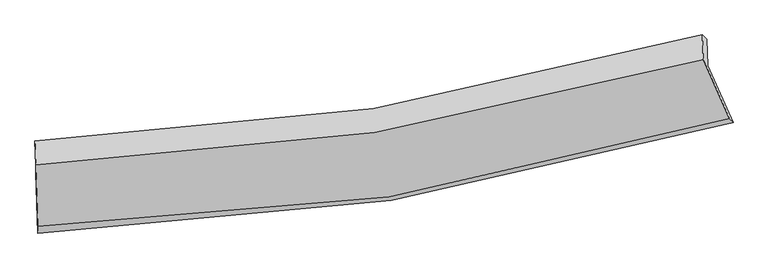
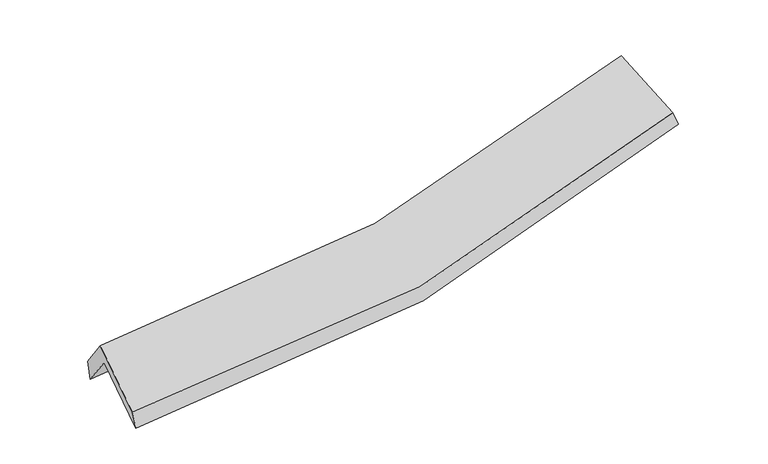
"""IFC4 building model written with IfcOpenShell, lengths in millimetres: proxy geometry."""

from ifc_helpers import new_model, si_unit, frame, origin, place, context, project, spatial, source, transform, mapped, element, save
from ifc_brep_helpers import plane_surface, spline_curve, spline_surface, advanced_brep


def generic_models_e5226e27(model_context):
    return source(origin(), model_context, "Body", "AdvancedBrep", [
        advanced_brep(
        [(-3025.3276454, -2533.1827585, 1514.7251535), (-3041.3315932, -1993.4885416, 1910.7898226), (2939.4980904, -1040.1810409, 2455.3989403), (3163.9566493, -1547.7763577, 2077.1671434), (-3050.1087957, -1758.0797889, 1589.6573857), (2930.7455773, -805.4344701, 2135.1698178), (-3051.0406331, -1710.3455532, 1757.6588448), (2890.513043, -765.1929794, 2282.0388449), (-3042.9868264, -1926.3524857, 2052.3243226), (2898.7523189, -986.1742841, 2583.4901038), (-3026.7736767, -2473.101529, 1651.0823375), (3130.1825028, -1509.5353806, 2193.5105247)],
        [
            (0, 1),
            (1, 2, spline_curve(3, [(-3041.3315932, -1993.4885416, 1910.7898226), (-2013.621453263, -1958.199193719, 1897.275683964), (-1000.663886499, -1860.907643782, 1936.043952126), (992.860848228, -1542.780567322, 2117.882126321), (1973.513176172, -1322.302950758, 2260.650230664), (2939.4980904, -1040.1810409, 2455.3989403)], [4, 2, 4], [0.0, 10.20559753693969, 20.381696402140904])),
            (2, 3),
            (3, 0, spline_curve(3, [(3163.9566493, -1547.7763577, 2077.1671434), (2165.31429772, -1844.492668446, 1872.612483033), (1150.988648055, -2074.945218061, 1723.452533286), (-912.01505927, -2403.798748567, 1535.650246029), (-1960.784174162, -2501.814999241, 1497.32953254), (-3025.3276454, -2533.1827585, 1514.7251535)], [4, 2, 4], [0.0, 10.176098865201213, 20.381696402140904])),
            (1, 4),
            (4, 5, spline_curve(3, [(-3050.1087957, -1758.0797889, 1589.6573857), (-2022.494804762, -1720.211683649, 1572.625439601), (-1009.583179257, -1621.687962632, 1609.712844134), (983.950075055, -1303.789386959, 1791.862726973), (1964.656574295, -1084.764668566, 1936.612799593), (2930.7455773, -805.4344701, 2135.1698178)], [4, 2, 4], [0.0, 10.029659450384793, 20.030328767589758])),
            (5, 2),
            (4, 6),
            (6, 7, spline_curve(3, [(-3051.0406331, -1710.3455532, 1757.6588448), (-2031.040807094, -1675.47009748, 1745.061676524), (-1025.215299652, -1579.066739479, 1782.597123311), (955.22077096, -1263.660709821, 1957.679848578), (1929.913155091, -1045.013210175, 2094.937735091), (2890.513043, -765.1929794, 2282.0388449)], [4, 2, 4], [0.0, 9.994645534380904, 19.96040214122043])),
            (7, 5),
            (6, 8),
            (8, 9, spline_curve(3, [(-3042.9868264, -1926.3524857, 2052.3243226), (-2022.990273851, -1891.38923812, 2039.60739347), (-1017.150900092, -1795.357779667, 2077.650166415), (963.34709258, -1481.612527969, 2254.99843852), (1938.087433676, -1264.251252467, 2394.010925834), (2898.7523189, -986.1742841, 2583.4901038)], [4, 2, 4], [0.0, 9.957580899281611, 19.886380004141678])),
            (9, 7),
            (8, 10),
            (10, 11, spline_curve(3, [(-3026.7736767, -2473.101529, 1651.0823375), (-1967.472774881, -2459.576263085, 1640.079581214), (-924.022964369, -2372.293640294, 1679.919452952), (1128.204261285, -2050.679158173, 1861.022338886), (2137.073177352, -1816.773064475, 2001.991863074), (3130.1825028, -1509.5353806, 2193.5105247)], [4, 2, 4], [0.0, 10.14008048821318, 20.25085167781441])),
            (11, 9),
            (10, 0),
            (3, 11),
        ],
        [
            spline_surface(3, 3, [[(-3025.3276454, -2533.1827585, 1514.7251535), (-1960.784174049, -2501.814999162, 1497.32953253), (-912.015059112, -2403.798748532, 1535.650246003), (1150.988647898, -2074.945218095, 1723.452533312), (2165.314297869, -1844.492668472, 1872.612483124), (3163.9566493, -1547.7763577, 2077.1671434)], [(-3030.662294661, -2353.284686195, 1646.746709886), (-1978.396600468, -2320.609730722, 1630.644916323), (-941.564668264, -2222.835046918, 1669.11481474), (1098.279381381, -1897.557001214, 1854.929064324), (2101.38059063, -1670.429429221, 2001.958398946), (3089.137129674, -1378.577918766, 2203.244409049)], [(-3035.996943939, -2173.386613905, 1778.768266214), (-1996.009026906, -2139.404462298, 1763.960300057), (-971.114277441, -2041.871345286, 1802.579383419), (1045.570114839, -1720.168784313, 1986.405595279), (2037.446883368, -1496.366189971, 2131.304314722), (3014.317610026, -1209.379479834, 2329.321674651)], [(-3041.3315932, -1993.4885416, 1910.7898226), (-2013.621453325, -1958.199193858, 1897.27568385), (-1000.663886593, -1860.907643672, 1936.043952156), (992.860848322, -1542.780567431, 2117.882126291), (1973.513176129, -1322.302950721, 2260.650230545), (2939.4980904, -1040.1810409, 2455.3989403)]], [4, 4], [4, 2, 4], [0.0, 2.230236703296432], [0.0, 10.20559753693969, 20.381696402140904]),
            spline_surface(3, 3, [[(-3041.3315932, -1993.4885416, 1910.7898226), (-2013.621453325, -1958.199193858, 1897.27568385), (-1000.663886593, -1860.907643672, 1936.043952156), (992.860848322, -1542.780567431, 2117.882126291), (1973.513176129, -1322.302950721, 2260.650230545), (2939.4980904, -1040.1810409, 2455.3989403)], [(-3044.257327363, -1915.018957344, 1803.745676972), (-2016.579237098, -1878.870023802, 1789.058935761), (-1003.636984174, -1781.167749986, 1827.266916148), (989.890590618, -1463.116840588, 2009.208993149), (1970.560975502, -1243.123523283, 2152.637753586), (2936.580586043, -961.932183968, 2348.655899464)], [(-3047.183061537, -1836.549373156, 1696.701531328), (-2019.537020881, -1799.540853814, 1680.842187657), (-1006.610081793, -1701.427856337, 1718.489880195), (986.920332876, -1383.453113783, 1900.535860062), (1967.608774845, -1163.94409584, 2044.625276636), (2933.663081657, -883.683327032, 2241.912858636)], [(-3050.1087957, -1758.0797889, 1589.6573857), (-2022.494804654, -1720.211683758, 1572.625439568), (-1009.583179373, -1621.687962651, 1609.712844187), (983.950075171, -1303.78938694, 1791.86272692), (1964.656574217, -1084.764668402, 1936.612799677), (2930.7455773, -805.4344701, 2135.1698178)]], [4, 4], [4, 2, 4], [0.0, 1.3271864077206459], [0.0, 10.029659450384793, 20.030328767589758]),
            spline_surface(3, 3, [[(-3050.1087957, -1758.0797889, 1589.6573857), (-2022.494804654, -1720.211683758, 1572.625439568), (-1009.583179373, -1621.687962651, 1609.712844187), (983.950075171, -1303.78938694, 1791.86272692), (1964.656574217, -1084.764668402, 1936.612799677), (2930.7455773, -805.4344701, 2135.1698178)], [(-3050.419408183, -1742.168377015, 1645.657872037), (-2025.343472199, -1705.297821627, 1630.104185165), (-1014.793886103, -1607.480888219, 1667.340937255), (974.373640399, -1290.413161294, 1847.135100811), (1953.07543453, -1071.514182275, 1989.3877781), (2917.33473252, -792.020639867, 2184.126160144)], [(-3050.730020617, -1726.256965085, 1701.658358463), (-2028.192139697, -1690.383959453, 1687.582930851), (-1020.004592824, -1593.273813758, 1724.969030274), (964.797205635, -1277.036935619, 1902.407474655), (1941.494294883, -1058.263696146, 2042.162756592), (2903.92388778, -778.606809633, 2233.082502556)], [(-3051.0406331, -1710.3455532, 1757.6588448), (-2031.040807242, -1675.470097322, 1745.061676448), (-1025.215299554, -1579.066739326, 1782.597123342), (955.220770862, -1263.660709973, 1957.679848547), (1929.913155196, -1045.013210019, 2094.937735015), (2890.513043, -765.1929794, 2282.0388449)]], [4, 4], [4, 2, 4], [0.0, 0.5765925095719507], [0.0, 9.994645534380904, 19.96040214122043]),
            spline_surface(3, 3, [[(-3051.0406331, -1710.3455532, 1757.6588448), (-2031.040807242, -1675.470097322, 1745.061676448), (-1025.215299554, -1579.066739326, 1782.597123342), (955.220770862, -1263.660709973, 1957.679848547), (1929.913155196, -1045.013210019, 2094.937735015), (2890.513043, -765.1929794, 2282.0388449)], [(-3048.356030874, -1782.347864028, 1855.880670733), (-2028.357296118, -1747.44314427, 1843.243582109), (-1022.527166345, -1651.163752775, 1880.948137689), (957.929544739, -1336.31131597, 2056.786045196), (1932.637914676, -1118.092557536, 2194.628798656), (2893.259468292, -838.853414293, 2382.522597865)], [(-3045.671428626, -1854.350174872, 1954.102496667), (-2025.673784973, -1819.416191232, 1941.42548777), (-1019.839033174, -1723.260766224, 1979.299152064), (960.638318578, -1408.961921967, 2155.892241874), (1935.362674182, -1191.171905074, 2294.319862301), (2896.005893608, -912.513849207, 2483.006350835)], [(-3042.9868264, -1926.3524857, 2052.3243226), (-2022.990273848, -1891.389238179, 2039.607393432), (-1017.150899966, -1795.357779673, 2077.650166411), (963.347092454, -1481.612527963, 2254.998438524), (1938.087433663, -1264.251252591, 2394.010925942), (2898.7523189, -986.1742841, 2583.4901038)]], [4, 4], [4, 2, 4], [0.0, 1.2051463406251657], [0.0, 9.957580899281611, 19.886380004141678]),
            spline_surface(3, 3, [[(-3042.9868264, -1926.3524857, 2052.3243226), (-2022.990273848, -1891.389238179, 2039.607393432), (-1017.150899966, -1795.357779673, 2077.650166411), (963.347092454, -1481.612527963, 2254.998438524), (1938.087433663, -1264.251252591, 2394.010925942), (2898.7523189, -986.1742841, 2583.4901038)], [(-3037.582443162, -2108.602166794, 1918.576994235), (-2004.484440858, -2080.784913146, 1906.431456072), (-986.108254782, -1987.669733251, 1945.073261898), (1018.299482048, -1671.301404651, 2123.673072019), (2004.416014859, -1448.425189918, 2263.337905035), (2975.895713526, -1160.627982947, 2453.496910769)], [(-3032.178059938, -2290.851847906, 1784.829665865), (-1985.978607882, -2270.180588133, 1773.255518708), (-955.065609552, -2179.981686846, 1812.496357364), (1073.25187169, -1860.990281355, 1992.347705492), (2070.74459608, -1632.599127205, 2132.664884122), (3053.039108174, -1335.081681753, 2323.503717731)], [(-3026.7736767, -2473.101529, 1651.0823375), (-1967.472774892, -2459.5762631, 1640.079581348), (-924.022964368, -2372.293640425, 1679.919452851), (1128.204261284, -2050.679158042, 1861.022338987), (2137.073177276, -1816.773064532, 2001.991863215), (3130.1825028, -1509.5353806, 2193.5105247)]], [4, 4], [4, 2, 4], [0.0, 2.3237517873453655], [0.0, 10.14008048821318, 20.25085167781441]),
            spline_surface(3, 3, [[(-3026.7736767, -2473.101529, 1651.0823375), (-1967.472774892, -2459.5762631, 1640.079581348), (-924.022964368, -2372.293640425, 1679.919452851), (1128.204261284, -2050.679158042, 1861.022338987), (2137.073177276, -1816.773064532, 2001.991863215), (3130.1825028, -1509.5353806, 2193.5105247)], [(-3026.291666258, -2493.128605525, 1605.629942837), (-1965.243241269, -2473.655841812, 1592.496231746), (-920.020329298, -2382.79534313, 1631.82971722), (1135.799056807, -2058.767844729, 1815.16573708), (2146.486884153, -1826.012932504, 1958.865403195), (3141.440551646, -1522.282372959, 2154.72939761)], [(-3025.809655842, -2513.155681975, 1560.177548163), (-1963.013707672, -2487.73542045, 1544.912882133), (-916.017694182, -2393.297045828, 1583.739981634), (1143.393852374, -2066.856531409, 1769.309135218), (2155.900590993, -1835.2528005, 1915.738943145), (3152.698600454, -1535.029365341, 2115.94827049)], [(-3025.3276454, -2533.1827585, 1514.7251535), (-1960.784174049, -2501.814999162, 1497.32953253), (-912.015059112, -2403.798748532, 1535.650246003), (1150.988647898, -2074.945218095, 1723.452533312), (2165.314297869, -1844.492668472, 1872.612483124), (3163.9566493, -1547.7763577, 2077.1671434)]], [4, 4], [4, 2, 4], [0.0, 0.4747740095742993], [0.0, 10.35101210081856, 20.67210521776402]),
            plane_surface(frame((2992.274697, -1109.0490855, 2287.7958958), z_axis=(0.9422455185118392, 0.2818789519335882, 0.18088017940387321), x_axis=(0.33419709663912256, -0.7557603594653458, -0.5631505834666182))),
            plane_surface(frame((-3039.5948617, -2065.7584428, 1746.0396444), z_axis=(-0.9994714139485918, -0.03230598082998111, 0.0036354232512422757), x_axis=(-0.009704006365188598, 0.40319225721657315, 0.9150638425711449))),
        ],
        [
            (0, [[1, 2, 3, 4]]),
            (1, [[5, 6, 7, -2]]),
            (2, [[8, 9, 10, -6]]),
            (3, [[11, 12, 13, -9]]),
            (4, [[14, 15, 16, -12]]),
            (5, [[17, -4, 18, -15]]),
            (6, [[-16, -18, -3, -7, -10, -13]]),
            (7, [[-17, -14, -11, -8, -5, -1]]),
        ],
    ),
    ])


if __name__ == "__main__":
    model = new_model("IFC4")
    model_context = context("Model", 3, world=origin())
    ifc_project = project(units=[si_unit("LENGTHUNIT", "METRE", prefix="MILLI")], contexts=[model_context])
    site = spatial("IfcSite", under=ifc_project)
    building = spatial("IfcBuilding", under=site)
    placement = place(None, origin())
    generic_models_shape = generic_models_e5226e27(model_context)
    element("IfcBuildingElementProxy", 1, Name="Generic Models", at=placement, inside=building, context=model_context, shape_type="MappedRepresentation", body=[
        mapped(generic_models_shape, transform((0.0, 0.0, 0.0), x_axis=(1.0, 0.0, 0.0), y_axis=(0.0, 1.0, 0.0), z_axis=(0.0, 0.0, 1.0))),
    ])
    save(model, "model.ifc")
